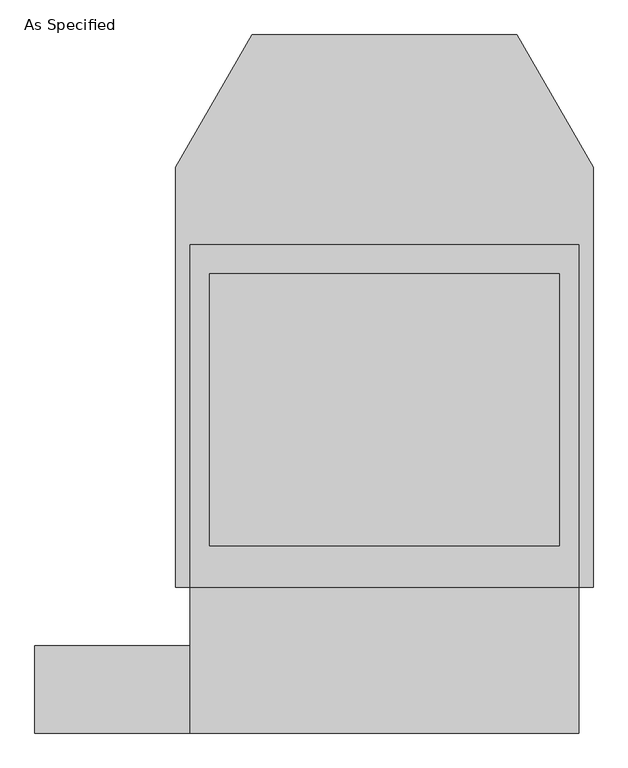
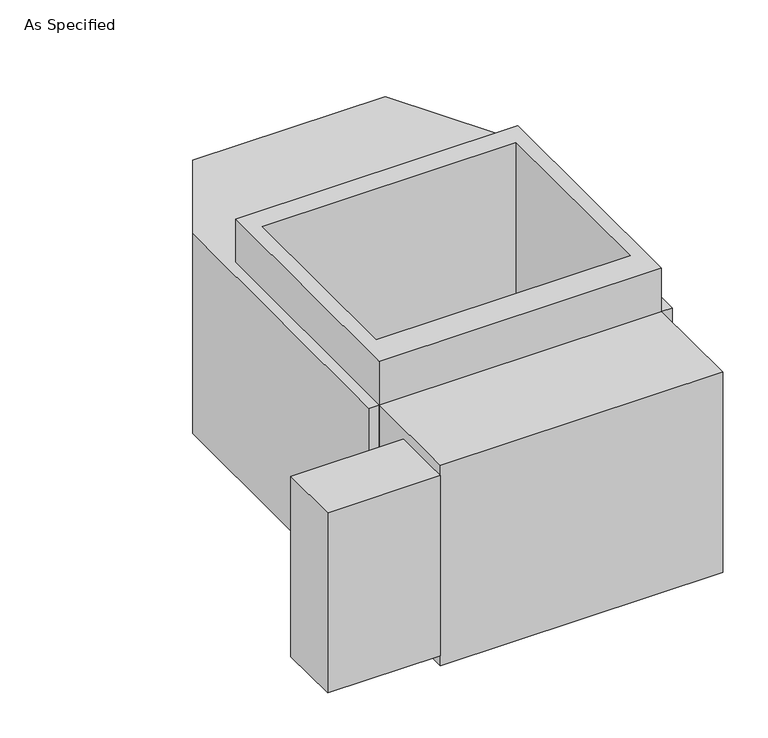
"""IFC4 building model written with IfcOpenShell, lengths in millimetres: proxy geometry, As Specified."""

from ifc_helpers import new_model, si_unit, frame, origin, place, context, project, spatial, polyline, outline, extrude, faceted_brep, source, transform, mapped, element, save


def as_specified_ecf1930c(model_context):
    return source(origin(), model_context, "Body", "SolidModel", [
        extrude(outline(polyline([(-508.0, -912.5148438), (-914.4, -912.5148438), (-914.4, -683.9148438), (-508.0, -683.9148438), (-508.0, -912.5148438)])), frame((0.0, 0.0, -749.3), z_axis=(0.0, 0.0, 1.0), x_axis=(1.0, 0.0, 0.0)), (0.0, 0.0, 1.0), 685.8),
        extrude(outline(polyline([(508.0, 363.8351562), (508.0, -531.5148438), (-508.0, -531.5148438), (-508.0, 363.8351562), (508.0, 363.8351562)]), holes=[polyline([(-457.2, 287.6748437), (-457.2, -423.5251563), (457.2, -423.5251563), (457.2, 287.6748437), (-457.2, 287.6748437)])]), frame((0.0, 0.0, -762.0), z_axis=(0.0, 0.0, 1.0), x_axis=(1.0, 0.0, 0.0)), (0.0, 0.0, 1.0), 901.7),
        faceted_brep([(508.0, -912.5148438, -787.4), (-508.0, -912.5148438, -787.4), (-508.0, -531.5148438, -787.4), (-546.1, -531.5148438, -787.4), (-546.1, 567.0748437, -787.4), (-346.660123, 912.5148437, -787.4), (346.660123, 912.5148437, -787.4), (546.1, 567.0748437, -787.4), (546.1, -531.5148438, -787.4), (508.0, -531.5148438, -787.4), (508.0, -912.5148438, -25.4), (508.0, -531.5148438, -25.4), (546.1, -531.5148438, -25.4), (546.1, 567.0748437, -25.4), (346.660123, 912.5148437, -25.4), (-346.660123, 912.5148437, -25.4), (-546.1, 567.0748437, -25.4), (-546.1, -531.5148438, -25.4), (-508.0, -531.5148438, -25.4), (-508.0, -912.5148438, -25.4), (457.2, 287.6748437, -25.4), (457.2, -423.5251563, -25.4), (-457.2, -423.5251563, -25.4), (-457.2, 287.6748437, -25.4), (457.2, 287.6748437, -762.0), (-457.2, 287.6748437, -762.0), (-457.2, -423.5251563, -762.0), (457.2, -423.5251563, -762.0)], [[[0, 1, 2, 3, 4, 5, 6, 7, 8, 9]], [[10, 11, 12, 13, 14, 15, 16, 17, 18, 19], [20, 21, 22, 23]], [[6, 5, 15, 14]], [[3, 17, 16, 4]], [[17, 3, 2, 18]], [[8, 12, 11, 9]], [[12, 8, 7, 13]], [[0, 9, 11, 10]], [[2, 1, 19, 18]], [[1, 0, 10, 19]], [[5, 4, 16, 15]], [[7, 6, 14, 13]], [[24, 25, 26, 27]], [[24, 27, 21, 20]], [[27, 26, 22, 21]], [[26, 25, 23, 22]], [[25, 24, 20, 23]]]),
    ])


if __name__ == "__main__":
    model = new_model("IFC4")
    model_context = context("Model", 3, world=origin())
    ifc_project = project(units=[si_unit("LENGTHUNIT", "METRE", prefix="MILLI")], contexts=[model_context])
    site = spatial("IfcSite", under=ifc_project)
    building = spatial("IfcBuilding", under=site)
    placement = place(None, origin())
    as_specified_shape = as_specified_ecf1930c(model_context)
    element("IfcBuildingElementProxy", 1, Name="As Specified", ObjectType="As Specified", at=placement, inside=building, context=model_context, shape_type="MappedRepresentation", body=[
        mapped(as_specified_shape, transform((0.0, 0.0, 0.0), x_axis=(1.0, 0.0, 0.0), y_axis=(0.0, 1.0, 0.0), z_axis=(0.0, 0.0, 1.0))),
    ])
    save(model, "model.ifc")
